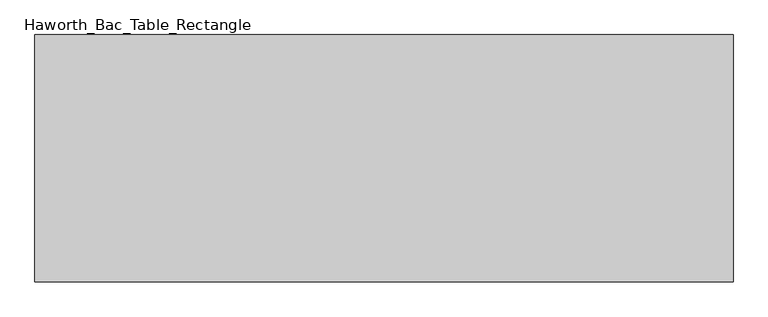
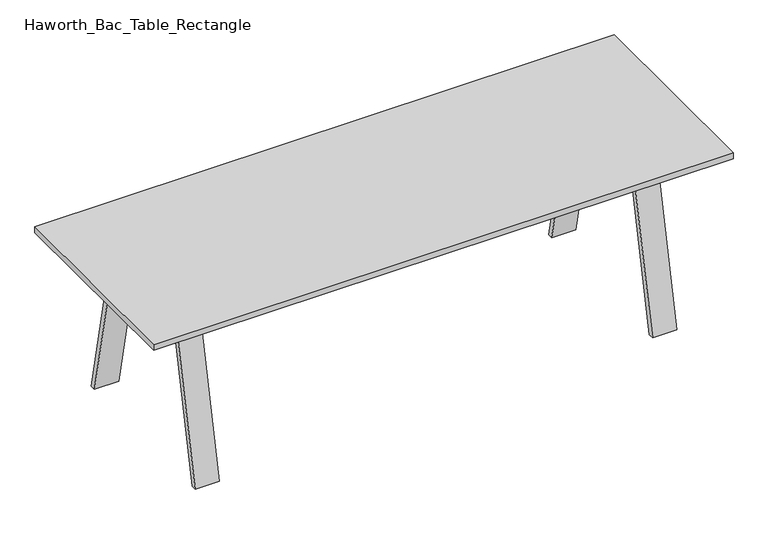
"""IFC4 building model written with IfcOpenShell, lengths in millimetres: furniture geometry, Haworth_Bac_Table_Rectangle."""

from ifc_helpers import new_model, si_unit, frame, origin, place, context, project, spatial, polyline, outline, extrude, source, transform, mapped, element, save


def haworth_bac_table_rectangle_167f9f42(model_context):
    return source(origin(), model_context, "Body", "SweptSolid", [
        extrude(outline(polyline([(1200.15, 421.4200592), (1200.15, -429.4799408), (-1200.15, -429.4799408), (-1200.15, 421.4200592), (1200.15, 421.4200592)])), frame((0.0, 0.0, 711.2), z_axis=(0.0, 0.0, 1.0), x_axis=(1.0, 0.0, 0.0)), (0.0, 0.0, 1.0), 25.4),
        extrude(outline(polyline([(916.9300781, 25.9837311), (916.9300781, -34.0436127), (-916.9300781, -34.0436127), (-916.9300781, 25.9837311), (916.9300781, 25.9837311)])), frame((0.0, 0.0, 630.7335938), z_axis=(0.0, 0.0, 1.0), x_axis=(1.0, 0.0, 0.0)), (0.0, 0.0, 1.0), 80.4664062),
        extrude(outline(polyline([(-202.9569134, 711.2), (194.8970319, 711.2), (212.0006945, 630.7335937), (-220.0605761, 630.7335937), (-202.9569134, 711.2)])), frame((916.9300781, 0.0, 0.0), z_axis=(1.0, 0.0, 0.0), x_axis=(0.0, 1.0, 0.0)), (0.0, 0.0, 1.0), 60.0273437),
        extrude(outline(polyline([(-202.9569134, 711.2), (-354.1271401, 0.0), (-376.6186089, 0.0), (-225.4483823, 711.2), (-202.9569134, 711.2)])), frame((896.9375, 0.0, 0.0), z_axis=(1.0, 0.0, 0.0), x_axis=(0.0, 1.0, 0.0)), (0.0, 0.0, 1.0), 100.0125),
        extrude(outline(polyline([(194.8970319, 711.2), (217.3885007, 711.2), (368.5587274, 0.0), (346.0672585, 0.0), (194.8970319, 711.2)])), frame((896.9375, 0.0, 0.0), z_axis=(1.0, 0.0, 0.0), x_axis=(0.0, 1.0, 0.0)), (0.0, 0.0, 1.0), 100.0125),
        extrude(outline(polyline([(-202.9569134, 711.2), (194.8970319, 711.2), (212.0006945, 630.7335938), (-220.0605761, 630.7335938), (-202.9569134, 711.2)])), frame((-976.9574219, 0.0, 0.0), z_axis=(1.0, 0.0, 0.0), x_axis=(0.0, 1.0, 0.0)), (0.0, 0.0, 1.0), 60.0273437),
        extrude(outline(polyline([(-202.9569134, 711.2), (-354.1271401, 0.0), (-376.6186089, 0.0), (-225.4483823, 711.2), (-202.9569134, 711.2)])), frame((-996.95, 0.0, 0.0), z_axis=(1.0, 0.0, 0.0), x_axis=(0.0, 1.0, 0.0)), (0.0, 0.0, 1.0), 100.0125),
        extrude(outline(polyline([(194.8970319, 711.2), (217.3885007, 711.2), (368.5587274, 0.0), (346.0672585, 0.0), (194.8970319, 711.2)])), frame((-996.95, 0.0, 0.0), z_axis=(1.0, 0.0, 0.0), x_axis=(0.0, 1.0, 0.0)), (0.0, 0.0, 1.0), 100.0125),
    ])


if __name__ == "__main__":
    model = new_model("IFC4")
    model_context = context("Model", 3, world=origin())
    ifc_project = project(units=[si_unit("LENGTHUNIT", "METRE", prefix="MILLI")], contexts=[model_context])
    site = spatial("IfcSite", under=ifc_project)
    building = spatial("IfcBuilding", under=site)
    placement = place(None, origin())
    haworth_bac_table_rectangle_shape = haworth_bac_table_rectangle_167f9f42(model_context)
    element("IfcFurniture", 1, ObjectType="Haworth_Bac_Table_Rectangle", at=placement, inside=building, context=model_context, shape_type="MappedRepresentation", body=[
        mapped(haworth_bac_table_rectangle_shape, transform((0.0, 0.0, 0.0), x_axis=(1.0, 0.0, 0.0), y_axis=(0.0, 1.0, 0.0), z_axis=(0.0, 0.0, 1.0))),
    ])
    save(model, "model.ifc")
